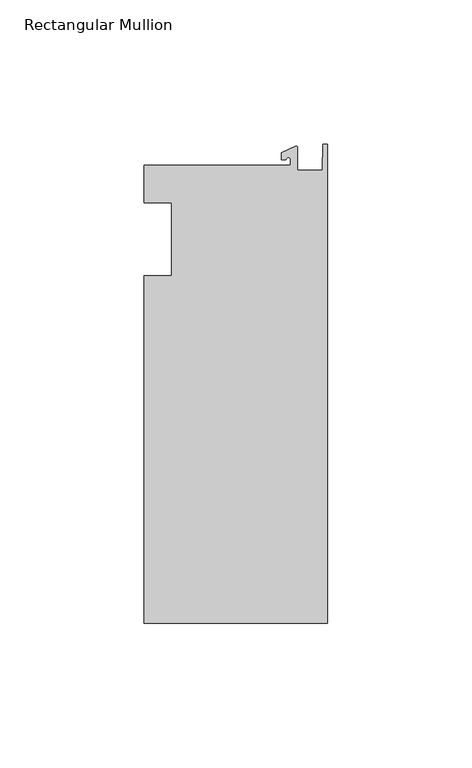
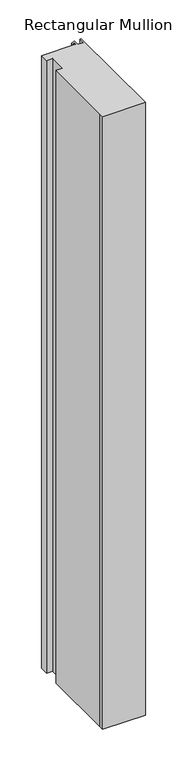
"""IFC4 building model written with IfcOpenShell, lengths in millimetres: member geometry, Rectangular Mullion."""

from ifc_helpers import new_model, si_unit, point, frame, frame_2d, origin, place, context, project, spatial, polyline, circle_curve, trimmed, segment, composite_curve, outline, extrude, source, transform, mapped, element, save


def rectangular_mullion_23cf7355(model_context):
    return source(origin(), model_context, "Body", "SweptSolid", [
        extrude(outline(composite_curve([segment(polyline([(-12.8216721, 25.5984375), (-12.8216721, 27.5208534)]), True, "CONTINUOUS"), segment(trimmed(circle_curve(frame_2d((-13.6154221, 27.5208534)), 0.79375), [point((-12.8216721, 27.5208534))], [point((-14.4091721, 27.5208534))], True, "CARTESIAN"), True, "CONTINUOUS"), segment(polyline([(-14.4091721, 27.5208534), (-15.9966721, 27.5208534), (-15.9966721, 29.8830527), (-11.1567622, 32.1399398)]), True, "CONTINUOUS"), segment(trimmed(circle_curve(frame_2d((-10.9420721, 31.6795354)), 0.508), [point((-11.1567622, 32.1399398))], [point((-10.4340721, 31.6795354))], False, "CARTESIAN"), True, "CONTINUOUS"), segment(polyline([(-10.4340721, 31.6795354), (-10.4340721, 23.9227662), (-1.7144124, 23.9227662), (-1.5566453, 32.810012), (0.0, 32.810012), (0.0, -132.822512), (-63.5, -132.822512), (-63.5, -125.075512), (-63.5, -12.7), (-53.975, -12.7), (-53.975, 12.7), (-63.5, 12.7), (-63.5, 25.5984375), (-12.8216721, 25.5984375)]), True, "CONTINUOUS")], self_intersect=False)), frame((0.0, 0.0, -965.2), z_axis=(0.0, 0.0, 1.0), x_axis=(1.0, 0.0, 0.0)), (0.0, 0.0, 1.0), 965.2),
    ])


if __name__ == "__main__":
    model = new_model("IFC4")
    model_context = context("Model", 3, world=origin())
    ifc_project = project(units=[si_unit("LENGTHUNIT", "METRE", prefix="MILLI")], contexts=[model_context])
    site = spatial("IfcSite", under=ifc_project)
    building = spatial("IfcBuilding", under=site)
    placement = place(None, origin())
    rectangular_mullion_shape = rectangular_mullion_23cf7355(model_context)
    element("IfcMember", 1, ObjectType="Rectangular Mullion", at=placement, inside=building, context=model_context, shape_type="MappedRepresentation", body=[
        mapped(rectangular_mullion_shape, transform((0.0, 0.0, 0.0), x_axis=(1.0, 0.0, 0.0), y_axis=(0.0, 1.0, 0.0), z_axis=(0.0, 0.0, 1.0))),
    ])
    save(model, "model.ifc")
